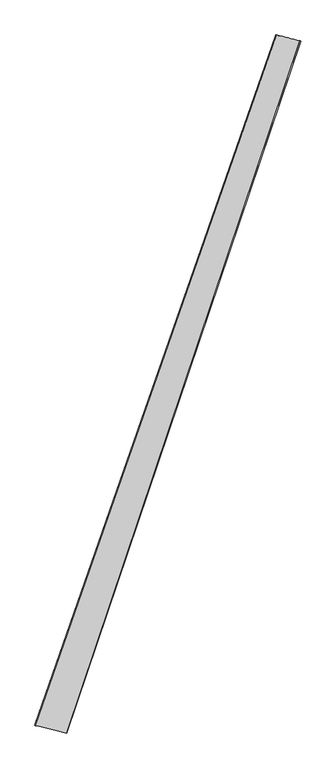
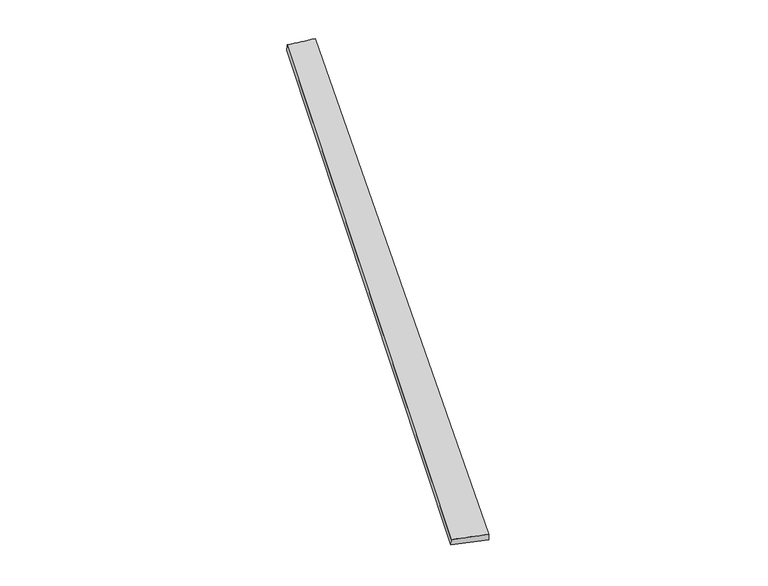
"""IFC4 building model written with IfcOpenShell, lengths in millimetres: proxy geometry."""

from ifc_helpers import new_model, si_unit, frame, origin, place, context, project, spatial, source, transform, mapped, element, save
from ifc_brep_helpers import plane_surface, spline_surface, advanced_brep


def generic_models_41d031f9(model_context):
    return source(origin(), model_context, "Body", "AdvancedBrep", [
        advanced_brep(
        [(-675.2275708, -1710.5765128, 3.1249362), (-673.7919917, -1711.0228197, 33.0872445), (668.809638, 2128.6731923, 25.9489998), (667.890617, 2128.9387578, -4.0357442), (-496.9565312, -1753.000636, 26.8668218), (800.7185969, 2095.7374588, 33.7207444), (-497.5179801, -1752.7547109, -3.1269158), (804.854934, 2094.3924659, 4.0377238)],
        [
            (0, 1),
            (1, 2),
            (2, 3),
            (3, 0),
            (1, 4),
            (4, 5),
            (5, 2),
            (4, 6),
            (6, 7),
            (7, 5),
            (6, 0),
            (3, 7),
        ],
        [
            spline_surface(1, 1, [[(-675.2275708, -1710.5765128, 3.1249362), (667.890617, 2128.9387578, -4.0357442)], [(-673.7919917, -1711.0228197, 33.0872445), (668.809638, 2128.6731923, 25.9489998)]], [2, 2], [2, 2], [0.0, 1.0], [0.0, 1.0]),
            spline_surface(1, 1, [[(-673.7919917, -1711.0228197, 33.0872445), (668.809638, 2128.6731923, 25.9489998)], [(-496.9565312, -1753.000636, 26.8668218), (800.7185969, 2095.7374588, 33.7207444)]], [2, 2], [2, 2], [0.0, 1.0], [0.0, 1.0]),
            spline_surface(1, 1, [[(-496.9565312, -1753.000636, 26.8668218), (800.7185969, 2095.7374588, 33.7207444)], [(-497.5179801, -1752.7547109, -3.1269158), (804.854934, 2094.3924659, 4.0377238)]], [2, 2], [2, 2], [0.0, 1.0], [0.0, 1.0]),
            spline_surface(1, 1, [[(-497.5179801, -1752.7547109, -3.1269158), (804.854934, 2094.3924659, 4.0377238)], [(-675.2275708, -1710.5765128, 3.1249362), (667.890617, 2128.9387578, -4.0357442)]], [2, 2], [2, 2], [0.0, 1.0], [0.0, 1.0]),
            spline_surface(1, 1, [[(668.809638, 2128.6731923, 25.9489998), (667.890617, 2128.9387578, -4.0357442)], [(800.7185969, 2095.7374588, 33.7207444), (804.854934, 2094.3924659, 4.0377238)]], [2, 2], [2, 2], [0.0, 1.0], [0.0, 1.0]),
            plane_surface(frame((-585.8735185, -1731.8386699, 14.9880217), z_axis=(-0.23104829061875243, -0.9729354283722158, -0.0036523444971260886), x_axis=(0.9724013087384243, -0.23079303078397306, -0.03420923421165515))),
        ],
        [
            (0, [[1, 2, 3, 4]]),
            (1, [[5, 6, 7, -2]]),
            (2, [[8, 9, 10, -6]]),
            (3, [[11, -4, 12, -9]]),
            (4, [[-3, -7, -10, -12]]),
            (5, [[-11, -8, -5, -1]]),
        ],
    ),
    ])


if __name__ == "__main__":
    model = new_model("IFC4")
    model_context = context("Model", 3, world=origin())
    ifc_project = project(units=[si_unit("LENGTHUNIT", "METRE", prefix="MILLI")], contexts=[model_context])
    site = spatial("IfcSite", under=ifc_project)
    building = spatial("IfcBuilding", under=site)
    placement = place(None, origin())
    generic_models_shape = generic_models_41d031f9(model_context)
    element("IfcBuildingElementProxy", 1, Name="Generic Models", at=placement, inside=building, context=model_context, shape_type="MappedRepresentation", body=[
        mapped(generic_models_shape, transform((0.0, 0.0, 0.0), x_axis=(1.0, 0.0, 0.0), y_axis=(0.0, 1.0, 0.0), z_axis=(0.0, 0.0, 1.0))),
    ])
    save(model, "model.ifc")
